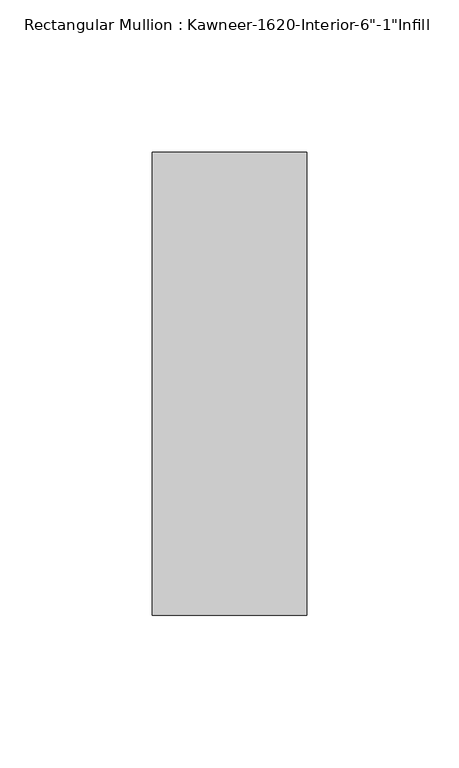
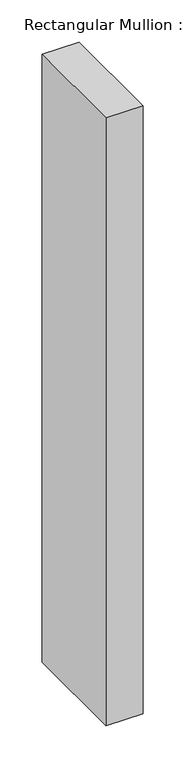
"""IFC4 building model written with IfcOpenShell, lengths in millimetres: member geometry."""

from ifc_helpers import new_model, si_unit, frame, origin, place, context, project, spatial, polyline, outline, extrude, source, transform, mapped, element, save


def member_82c76485(model_context):
    return source(origin(), model_context, "Body", "SweptSolid", [
        extrude(outline(polyline([(25.4, -114.3), (-25.4, -114.3), (-25.4, 38.1), (25.4, 38.1), (25.4, -114.3)])), frame((0.0, 0.0, -882.65), z_axis=(0.0, 0.0, 1.0), x_axis=(1.0, 0.0, 0.0)), (0.0, 0.0, 1.0), 882.65),
    ])


if __name__ == "__main__":
    model = new_model("IFC4")
    model_context = context("Model", 3, world=origin())
    ifc_project = project(units=[si_unit("LENGTHUNIT", "METRE", prefix="MILLI")], contexts=[model_context])
    site = spatial("IfcSite", under=ifc_project)
    building = spatial("IfcBuilding", under=site)
    placement = place(None, origin())
    member_shape = member_82c76485(model_context)
    element("IfcMember", 1, ObjectType="Rectangular Mullion : Kawneer-1620-Interior-6\"-1\"Infill", at=placement, inside=building, context=model_context, shape_type="MappedRepresentation", body=[
        mapped(member_shape, transform((0.0, 0.0, 0.0), x_axis=(1.0, 0.0, 0.0), y_axis=(0.0, 1.0, 0.0), z_axis=(0.0, 0.0, 1.0))),
    ])
    save(model, "model.ifc")
